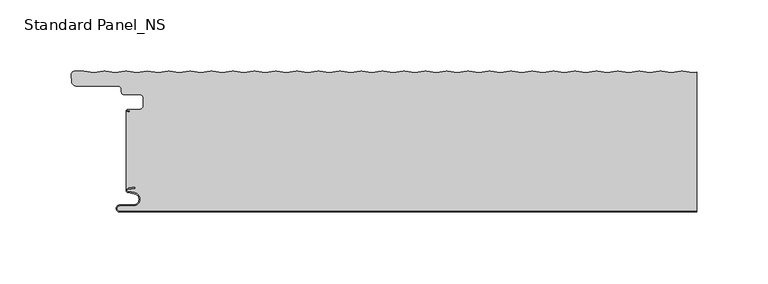
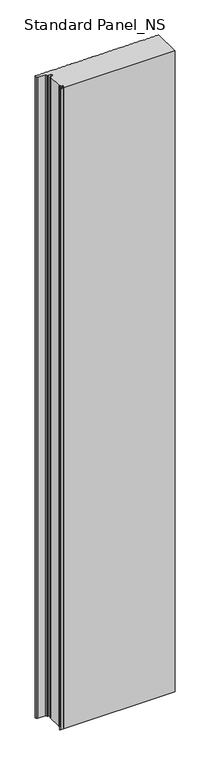
"""IFC4 building model written with IfcOpenShell, lengths in millimetres: proxy geometry, Standard Panel_NS."""

from ifc_helpers import new_model, si_unit, point, frame, frame_2d, origin, origin_with_axes, place, context, project, spatial, polyline, circle_curve, trimmed, segment, composite_curve, outline, extrude, source, transform, mapped, element, save
from ifc_brep_helpers import plane_surface, cylinder_surface, revolved_surface, advanced_brep


def standard_panel_ns_53d0c84d(model_context):
    return source(origin(), model_context, "Body", "SolidModel", [
        advanced_brep(
        [(200.9757266, 98.2307297, 2400.0), (193.9420689, 99.1685508, 2400.0), (192.9889019, 99.1685508, 2400.0), (185.9552442, 98.2307297, 2400.0), (178.9215864, 99.1685508, 2400.0), (177.9684195, 99.1685508, 2400.0), (170.9347618, 98.2307297, 2400.0), (163.901104, 99.1685508, 2400.0), (162.9479371, 99.1685508, 2400.0), (155.9142793, 98.2307297, 2400.0), (148.8806215, 99.1685508, 2400.0), (147.9274546, 99.1685508, 2400.0), (140.8937969, 98.2307297, 2400.0), (133.8601391, 99.1685508, 2400.0), (132.9069722, 99.1685508, 2400.0), (125.8733144, 98.2307297, 2400.0), (118.8396566, 99.1685508, 2400.0), (117.8864897, 99.1685508, 2400.0), (110.852832, 98.2307297, 2400.0), (103.8191742, 99.1685508, 2400.0), (102.8660073, 99.1685508, 2400.0), (95.8323495, 98.2307297, 2400.0), (88.7986918, 99.1685508, 2400.0), (87.8455248, 99.1685508, 2400.0), (80.8118671, 98.2307297, 2400.0), (73.7782093, 99.1685508, 2400.0), (72.8250424, 99.1685508, 2400.0), (65.7913846, 98.2307297, 2400.0), (58.7577269, 99.1685508, 2400.0), (57.80456, 99.1685508, 2400.0), (50.7709022, 98.2307297, 2400.0), (43.7372444, 99.1685508, 2400.0), (42.7840775, 99.1685508, 2400.0), (35.7504198, 98.2307297, 2400.0), (28.716762, 99.1685508, 2400.0), (27.7635951, 99.1685508, 2400.0), (20.7299373, 98.2307297, 2400.0), (13.6962795, 99.1685508, 2400.0), (12.7431126, 99.1685508, 2400.0), (5.7094549, 98.2307297, 2400.0), (-1.3242029, 99.1685508, 2400.0), (-2.2773698, 99.1685508, 2400.0), (-9.3110276, 98.2307297, 2400.0), (-16.3446854, 99.1685508, 2400.0), (-17.2978523, 99.1685508, 2400.0), (-24.33151, 98.2307297, 2400.0), (-31.3651678, 99.1685508, 2400.0), (-32.3183347, 99.1685508, 2400.0), (-39.3519925, 98.2307297, 2400.0), (-46.3856502, 99.1685508, 2400.0), (-47.3388172, 99.1685508, 2400.0), (-54.3724749, 98.2307297, 2400.0), (-61.4061327, 99.1685508, 2400.0), (-62.3592996, 99.1685508, 2400.0), (-69.3929573, 98.2307297, 2400.0), (-76.4266151, 99.1685508, 2400.0), (-77.379782, 99.1685508, 2400.0), (-84.4134398, 98.2307297, 2400.0), (-91.4470976, 99.1685508, 2400.0), (-92.4002645, 99.1685508, 2400.0), (-99.4339222, 98.2307297, 2400.0), (-106.46758, 99.1685508, 2400.0), (-107.4207469, 99.1685508, 2400.0), (-114.4544047, 98.2307297, 2400.0), (-121.4880625, 99.1685508, 2400.0), (-122.4412294, 99.1685508, 2400.0), (-129.4748871, 98.2307297, 2400.0), (-136.5085449, 99.1685508, 2400.0), (-137.4617118, 99.1685508, 2400.0), (-144.4953696, 98.2307297, 2400.0), (-151.5290274, 99.1685508, 2400.0), (-152.4821943, 99.1685508, 2400.0), (-159.515852, 98.2307297, 2400.0), (-166.5495098, 99.1685508, 2400.0), (-167.5026767, 99.1685508, 2400.0), (-174.5363345, 98.2307297, 2400.0), (-182.0465757, 99.2320952, 2400.0), (-189.5568169, 98.2307297, 2400.0), (-196.5904747, 99.1685508, 2400.0), (-197.5436416, 99.1685508, 2400.0), (-204.5772994, 98.2307297, 2400.0), (-211.6109571, 99.1685508, 2400.0), (-212.564124, 99.1685508, 2400.0), (-219.5977818, 98.2307297, 2400.0), (-226.8685673, 99.2001678, 2400.0), (-232.8591806, 99.2001678, 2400.0), (-235.6090836, 96.199151, 2400.0), (-235.1937635, 91.4524611, 2400.0), (-232.3045986, 88.8050506, 2400.0), (-202.67533, 88.8050506, 2400.0), (-200.2755261, 86.4052467, 2400.0), (-200.2755261, 84.4052467, 2400.0), (-198.67533, 82.8050506, 2400.0), (-188.0058392, 82.8050506, 2400.0), (-184.8560353, 79.6552467, 2400.0), (-184.8560353, 75.2552452, 2400.0), (-188.0058392, 72.1054412, 2400.0), (-195.7650669, 72.1054413, 2400.0), (-195.7650669, 71.3050506, 2400.0), (-194.3950677, 71.3050506, 2400.0), (-194.3950677, 70.5050506, 2400.0), (-195.7650669, 70.5050506, 2400.0), (-196.9042057, 71.327315, 2400.0), (-196.9042607, 15.3042944, 2400.0), (-195.529422, 16.8616061, 2400.0), (-190.6052947, 17.5608112, 2400.0), (-190.4928263, 16.7687564, 2400.0), (-195.4169535, 16.0695512, 2400.0), (-195.4434036, 14.4896502, 2400.0), (-191.1186374, 13.7270772, 2400.0), (-191.9521486, 4.2, 2400.0), (-201.4521486, 4.2, 2400.0), (-201.4521486, 0.8, 2400.0), (203.9042607, 0.8, 2400.0), (203.9042607, 98.621201, 2400.0), (-196.9042057, 71.327315, 0.0), (-195.7650669, 70.5050506, 0.0), (-194.3950677, 70.5050506, 0.0), (-194.3950677, 71.3050506, 0.0), (-195.7650669, 71.3050506, 0.0), (-195.7650669, 72.1054413, 0.0), (-188.0058392, 72.1054413, 0.0), (-184.8560353, 75.2552452, 0.0), (-184.8560353, 79.6552467, 0.0), (-188.0058392, 82.8050506, 0.0), (-198.67533, 82.8050506, 0.0), (-200.2755261, 84.4052467, 0.0), (-200.2755261, 86.4052467, 0.0), (-202.67533, 88.8050506, 0.0), (-232.3045986, 88.8050506, 0.0), (-235.1937635, 91.4524611, 0.0), (-235.6090836, 96.199151, 0.0), (-232.8591806, 99.2001678, 0.0), (-226.8685673, 99.2001678, 0.0), (-219.5977818, 98.2307297, 0.0), (-212.564124, 99.1685508, 0.0), (-211.6109571, 99.1685508, 0.0), (-204.5772994, 98.2307297, 0.0), (-197.5436416, 99.1685508, 0.0), (-196.5904747, 99.1685508, 0.0), (-189.5568169, 98.2307297, 0.0), (-182.0465757, 99.2320952, 0.0), (-174.5363345, 98.2307297, 0.0), (-167.5026767, 99.1685508, 0.0), (-166.5495098, 99.1685508, 0.0), (-159.515852, 98.2307297, 0.0), (-152.4821943, 99.1685508, 0.0), (-151.5290274, 99.1685508, 0.0), (-144.4953696, 98.2307297, 0.0), (-137.4617118, 99.1685508, 0.0), (-136.5085449, 99.1685508, 0.0), (-129.4748871, 98.2307297, 0.0), (-122.4412294, 99.1685508, 0.0), (-121.4880625, 99.1685508, 0.0), (-114.4544047, 98.2307297, 0.0), (-107.4207469, 99.1685508, 0.0), (-106.46758, 99.1685508, 0.0), (-99.4339222, 98.2307297, 0.0), (-92.4002645, 99.1685508, 0.0), (-91.4470976, 99.1685508, 0.0), (-84.4134398, 98.2307297, 0.0), (-77.379782, 99.1685508, 0.0), (-76.4266151, 99.1685508, 0.0), (-69.3929573, 98.2307297, 0.0), (-62.3592996, 99.1685508, 0.0), (-61.4061327, 99.1685508, 0.0), (-54.3724749, 98.2307297, 0.0), (-47.3388172, 99.1685508, 0.0), (-46.3856502, 99.1685508, 0.0), (-39.3519925, 98.2307297, 0.0), (-32.3183347, 99.1685508, 0.0), (-31.3651678, 99.1685508, 0.0), (-24.33151, 98.2307297, 0.0), (-17.2978523, 99.1685508, 0.0), (-16.3446854, 99.1685508, 0.0), (-9.3110276, 98.2307297, 0.0), (-2.2773698, 99.1685508, 0.0), (-1.3242029, 99.1685508, 0.0), (5.7094549, 98.2307297, 0.0), (12.7431126, 99.1685508, 0.0), (13.6962795, 99.1685508, 0.0), (20.7299373, 98.2307297, 0.0), (27.7635951, 99.1685508, 0.0), (28.716762, 99.1685508, 0.0), (35.7504198, 98.2307297, 0.0), (42.7840775, 99.1685508, 0.0), (43.7372444, 99.1685508, 0.0), (50.7709022, 98.2307297, 0.0), (57.80456, 99.1685508, 0.0), (58.7577269, 99.1685508, 0.0), (65.7913846, 98.2307297, 0.0), (72.8250424, 99.1685508, 0.0), (73.7782093, 99.1685508, 0.0), (80.8118671, 98.2307297, 0.0), (87.8455248, 99.1685508, 0.0), (88.7986918, 99.1685508, 0.0), (95.8323495, 98.2307297, 0.0), (102.8660073, 99.1685508, 0.0), (103.8191742, 99.1685508, 0.0), (110.852832, 98.2307297, 0.0), (117.8864897, 99.1685508, 0.0), (118.8396566, 99.1685508, 0.0), (125.8733144, 98.2307297, 0.0), (132.9069722, 99.1685508, 0.0), (133.8601391, 99.1685508, 0.0), (140.8937969, 98.2307297, 0.0), (147.9274546, 99.1685508, 0.0), (148.8806215, 99.1685508, 0.0), (155.9142793, 98.2307297, 0.0), (162.9479371, 99.1685508, 0.0), (163.901104, 99.1685508, 0.0), (170.9347618, 98.2307297, 0.0), (177.9684195, 99.1685508, 0.0), (178.9215864, 99.1685508, 0.0), (185.9552442, 98.2307297, 0.0), (192.9889019, 99.1685508, 0.0), (193.9420689, 99.1685508, 0.0), (200.9757266, 98.2307297, 0.0), (203.9042607, 98.621201, 0.0), (203.9042607, 0.8, 0.0), (-201.4521486, 0.8, 0.0), (-201.4521486, 4.2, 0.0), (-191.9521486, 4.2, 0.0), (-191.1186374, 13.7270772, 0.0), (-195.4434036, 14.4896502, 0.0), (-195.4169535, 16.0695512, 0.0), (-190.4928263, 16.7687564, 0.0), (-190.6052947, 17.5608112, 0.0), (-195.529422, 16.8616061, 0.0), (-196.9042607, 15.3042944, 0.0)],
        [
            (0, 1),
            (1, 2, circle_curve(frame((193.4654854, 95.5941749, 2400.0), z_axis=(0.0, 0.0, 1.0), x_axis=(-0.1321637206908363, 0.991227900602659, 0.0)), 3.6060082)),
            (2, 3),
            (3, 4),
            (4, 5, circle_curve(frame((178.445003, 95.5941749, 2400.0), z_axis=(0.0, 0.0, 1.0), x_axis=(-0.13216372067834242, 0.9912279006043248, 0.0)), 3.6060082)),
            (5, 6),
            (6, 7),
            (7, 8, circle_curve(frame((163.4245205, 95.5941749, 2400.0), z_axis=(0.0, 0.0, 1.0), x_axis=(-0.1321637206908359, 0.991227900602659, 0.0)), 3.6060082)),
            (8, 9),
            (9, 10),
            (10, 11, circle_curve(frame((148.4040381, 95.5941749, 2400.0), z_axis=(0.0, 0.0, 1.0), x_axis=(-0.1321637206909443, 0.9912279006026445, 0.0)), 3.6060082)),
            (11, 12),
            (12, 13),
            (13, 14, circle_curve(frame((133.3835556, 95.5941749, 2400.0), z_axis=(0.0, 0.0, 1.0), x_axis=(-0.13216372067834242, 0.9912279006043248, 0.0)), 3.6060082)),
            (14, 15),
            (15, 16),
            (16, 17, circle_curve(frame((118.3630732, 95.5941749, 2400.0), z_axis=(0.0, 0.0, 1.0), x_axis=(-0.13216372069094426, 0.9912279006026445, 0.0)), 3.6060082)),
            (17, 18),
            (18, 19),
            (19, 20, circle_curve(frame((103.3425907, 95.5941749, 2400.0), z_axis=(0.0, 0.0, 1.0), x_axis=(-0.1321637206908359, 0.991227900602659, 0.0)), 3.6060082)),
            (20, 21),
            (21, 22),
            (22, 23, circle_curve(frame((88.3221083, 95.5941749, 2400.0), z_axis=(0.0, 0.0, 1.0), x_axis=(-0.13216372067834242, 0.9912279006043248, 0.0)), 3.6060082)),
            (23, 24),
            (24, 25),
            (25, 26, circle_curve(frame((73.3016259, 95.5941749, 2400.0), z_axis=(0.0, 0.0, 1.0), x_axis=(-0.1321637206909443, 0.9912279006026445, 0.0)), 3.6060082)),
            (26, 27),
            (27, 28),
            (28, 29, circle_curve(frame((58.2811434, 95.5941749, 2400.0), z_axis=(0.0, 0.0, 1.0), x_axis=(-0.13216372067834242, 0.9912279006043249, 0.0)), 3.6060082)),
            (29, 30),
            (30, 31),
            (31, 32, circle_curve(frame((43.260661, 95.5941749, 2400.0), z_axis=(0.0, 0.0, 1.0), x_axis=(-0.1321637206909443, 0.9912279006026445, 0.0)), 3.6060082)),
            (32, 33),
            (33, 34),
            (34, 35, circle_curve(frame((28.2401785, 95.5941749, 2400.0), z_axis=(0.0, 0.0, 1.0), x_axis=(-0.13216372069083632, 0.991227900602659, 0.0)), 3.6060082)),
            (35, 36),
            (36, 37),
            (37, 38, circle_curve(frame((13.2196961, 95.5941749, 2400.0), z_axis=(0.0, 0.0, 1.0), x_axis=(-0.13216372067834242, 0.9912279006043248, 0.0)), 3.6060082)),
            (38, 39),
            (39, 40),
            (40, 41, circle_curve(frame((-1.8007864, 95.5941749, 2400.0), z_axis=(0.0, 0.0, 1.0), x_axis=(-0.13216372067834242, 0.9912279006043249, 0.0)), 3.6060082)),
            (41, 42),
            (42, 43),
            (43, 44, circle_curve(frame((-16.8212688, 95.5941749, 2400.0), z_axis=(0.0, 0.0, 1.0), x_axis=(-0.13216372067834242, 0.9912279006043249, 0.0)), 3.6060082)),
            (44, 45),
            (45, 46),
            (46, 47, circle_curve(frame((-31.8417513, 95.5941749, 2400.0), z_axis=(0.0, 0.0, 1.0), x_axis=(-0.13216372069083587, 0.991227900602659, 0.0)), 3.6060082)),
            (47, 48),
            (48, 49),
            (49, 50, circle_curve(frame((-46.8622337, 95.5941749, 2400.0), z_axis=(0.0, 0.0, 1.0), x_axis=(-0.13216372067834242, 0.9912279006043249, 0.0)), 3.6060082)),
            (50, 51),
            (51, 52),
            (52, 53, circle_curve(frame((-61.8827161, 95.5941749, 2400.0), z_axis=(0.0, 0.0, 1.0), x_axis=(-0.13216372067834242, 0.9912279006043248, 0.0)), 3.6060082)),
            (53, 54),
            (54, 55),
            (55, 56, circle_curve(frame((-76.9031986, 95.5941749, 2400.0), z_axis=(0.0, 0.0, 1.0), x_axis=(-0.13216372067834242, 0.9912279006043248, 0.0)), 3.6060082)),
            (56, 57),
            (57, 58),
            (58, 59, circle_curve(frame((-91.923681, 95.5941749, 2400.0), z_axis=(0.0, 0.0, 1.0), x_axis=(-0.1321637206909443, 0.9912279006026445, 0.0)), 3.6060082)),
            (59, 60),
            (60, 61),
            (61, 62, circle_curve(frame((-106.9441635, 95.5941749, 2400.0), z_axis=(0.0, 0.0, 1.0), x_axis=(-0.13216372069083587, 0.991227900602659, 0.0)), 3.6060082)),
            (62, 63),
            (63, 64),
            (64, 65, circle_curve(frame((-121.9646459, 95.5941749, 2400.0), z_axis=(0.0, 0.0, 1.0), x_axis=(-0.13216372067834242, 0.9912279006043248, 0.0)), 3.6060082)),
            (65, 66),
            (66, 67),
            (67, 68, circle_curve(frame((-136.9851284, 95.5941749, 2400.0), z_axis=(0.0, 0.0, 1.0), x_axis=(-0.13216372069083632, 0.991227900602659, 0.0)), 3.6060082)),
            (68, 69),
            (69, 70),
            (70, 71, circle_curve(frame((-152.0056108, 95.5941749, 2400.0), z_axis=(0.0, 0.0, 1.0), x_axis=(-0.13216372067834242, 0.9912279006043248, 0.0)), 3.6060082)),
            (71, 72),
            (72, 73),
            (73, 74, circle_curve(frame((-167.0260933, 95.5941749, 2400.0), z_axis=(0.0, 0.0, 1.0), x_axis=(-0.13216372069094426, 0.9912279006026445, 0.0)), 3.6060082)),
            (74, 75),
            (75, 76),
            (76, 77),
            (77, 78),
            (78, 79, circle_curve(frame((-197.0670581, 95.5941749, 2400.0), z_axis=(0.0, 0.0, 1.0), x_axis=(-0.13216372008395674, 0.9912279006835761, 0.0)), 3.6060082)),
            (79, 80),
            (80, 81),
            (81, 82, circle_curve(frame((-212.0875406, 95.5941749, 2400.0), z_axis=(0.0, 0.0, 1.0), x_axis=(-0.1321637200962343, 0.9912279006819392, 0.0)), 3.6060082)),
            (82, 83),
            (83, 84),
            (84, 85),
            (85, 86, circle_curve(frame((-232.8591806, 96.4397587, 2400.0), z_axis=(0.0, 0.0, 1.0), x_axis=(-0.9961854900933174, -0.08726092669423802, 0.0)), 2.7604092)),
            (86, 87),
            (87, 88, circle_curve(frame((-232.3045986, 91.7052538, 2400.0), z_axis=(0.0, 0.0, 1.0), x_axis=(-5.9816804069483736e-05, -0.9999999982109751, 0.0)), 2.9002032)),
            (88, 89),
            (89, 90, circle_curve(frame((-202.67533, 86.4052467, 2400.0), z_axis=(0.0, 0.0, -1.0), x_axis=(0.9999999926057013, 0.00012160837719944603, 0.0)), 2.3998039)),
            (90, 91),
            (91, 92, circle_curve(frame((-198.67533, 84.4052467, 2400.0), z_axis=(0.0, 0.0, 1.0), x_axis=(-8.105569453527465e-05, -0.9999999967149873, 0.0)), 1.6001961)),
            (92, 93),
            (93, 94, circle_curve(frame((-188.0058392, 79.6552467, 2400.0), z_axis=(0.0, 0.0, -1.0), x_axis=(0.9999999965725804, 8.27939563282879e-05, 0.0)), 3.1498039)),
            (94, 95),
            (95, 96, circle_curve(frame((-188.0058392, 75.2552452, 2400.0), z_axis=(0.0, 0.0, -1.0), x_axis=(-8.279395323838365e-05, -0.9999999965725807, 0.0)), 3.1498039)),
            (96, 97),
            (97, 98, circle_curve(frame((-195.7650669, 71.7052459, 2400.0), z_axis=(0.0, 0.0, 1.0), x_axis=(0.0, -1.0, 0.0)), 0.4001953)),
            (98, 99),
            (99, 100),
            (100, 101),
            (101, 102, circle_curve(frame((-195.7650669, 71.7052459, 2400.0), z_axis=(0.0, 0.0, -1.0), x_axis=(0.0, -1.0, 0.0)), 1.2001953)),
            (102, 103),
            (103, 104, circle_curve(frame((-195.3044851, 15.2774964, 2400.0), z_axis=(0.0, 0.0, -1.0), x_axis=(-0.17364817766971952, -0.9848077530117163, 0.0)), 1.6)),
            (104, 105),
            (105, 106),
            (106, 107),
            (107, 108, circle_curve(frame((-195.3044851, 15.2774964, 2400.0), z_axis=(0.0, 0.0, 1.0), x_axis=(-0.17364817766971952, -0.9848077530117163, 0.0)), 0.8)),
            (108, 109),
            (109, 110, circle_curve(frame((-191.9521486, 9.0, 2400.0), z_axis=(0.0, 0.0, -1.0), x_axis=(1.863723325530669e-12, -1.0, 0.0)), 4.8)),
            (110, 111),
            (111, 112, circle_curve(frame((-201.4521486, 2.5, 2400.0), z_axis=(0.0, 0.0, 1.0), x_axis=(2.9071553329994335e-12, -1.0, 0.0)), 1.7)),
            (112, 113),
            (113, 114),
            (114, 0),
            (115, 116, circle_curve(frame((-195.7650669, 71.7052459, 0.0), z_axis=(0.0, 0.0, 1.0), x_axis=(0.0, -1.0, 0.0)), 1.2001953)),
            (116, 117),
            (117, 118),
            (118, 119),
            (119, 120, circle_curve(frame((-195.7650669, 71.7052459, 0.0), z_axis=(0.0, 0.0, -1.0), x_axis=(0.0, -1.0, 0.0)), 0.4001953)),
            (120, 121),
            (121, 122, circle_curve(frame((-188.0058392, 75.2552452, 0.0), z_axis=(0.0, 0.0, 1.0), x_axis=(-8.279395323838365e-05, -0.9999999965725807, 0.0)), 3.1498039)),
            (122, 123),
            (123, 124, circle_curve(frame((-188.0058392, 79.6552467, 0.0), z_axis=(0.0, 0.0, 1.0), x_axis=(0.9999999965725804, 8.27939563282879e-05, 0.0)), 3.1498039)),
            (124, 125),
            (125, 126, circle_curve(frame((-198.67533, 84.4052467, 0.0), z_axis=(0.0, 0.0, -1.0), x_axis=(-8.105569453527465e-05, -0.9999999967149873, 0.0)), 1.6001961)),
            (126, 127),
            (127, 128, circle_curve(frame((-202.67533, 86.4052467, 0.0), z_axis=(0.0, 0.0, 1.0), x_axis=(0.9999999926057013, 0.00012160837719944603, 0.0)), 2.3998039)),
            (128, 129),
            (129, 130, circle_curve(frame((-232.3045986, 91.7052538, 0.0), z_axis=(0.0, 0.0, -1.0), x_axis=(-5.9816804069483736e-05, -0.9999999982109751, 0.0)), 2.9002032)),
            (130, 131),
            (131, 132, circle_curve(frame((-232.8591806, 96.4397587, 0.0), z_axis=(0.0, 0.0, -1.0), x_axis=(-0.9961854900933174, -0.08726092669423802, 0.0)), 2.7604092)),
            (132, 133),
            (133, 134),
            (134, 135),
            (135, 136, circle_curve(frame((-212.0875406, 95.5941749, 0.0), z_axis=(0.0, 0.0, -1.0), x_axis=(-0.1321637200962343, 0.9912279006819392, 0.0)), 3.6060082)),
            (136, 137),
            (137, 138),
            (138, 139, circle_curve(frame((-197.0670581, 95.5941749, 0.0), z_axis=(0.0, 0.0, -1.0), x_axis=(-0.13216372008395674, 0.9912279006835761, 0.0)), 3.6060082)),
            (139, 140),
            (140, 141),
            (141, 142),
            (142, 143),
            (143, 144, circle_curve(frame((-167.0260933, 95.5941749, 0.0), z_axis=(0.0, 0.0, -1.0), x_axis=(-0.13216372069094426, 0.9912279006026445, 0.0)), 3.6060082)),
            (144, 145),
            (145, 146),
            (146, 147, circle_curve(frame((-152.0056108, 95.5941749, 0.0), z_axis=(0.0, 0.0, -1.0), x_axis=(-0.13216372067834242, 0.9912279006043248, 0.0)), 3.6060082)),
            (147, 148),
            (148, 149),
            (149, 150, circle_curve(frame((-136.9851284, 95.5941749, 0.0), z_axis=(0.0, 0.0, -1.0), x_axis=(-0.13216372069083632, 0.991227900602659, 0.0)), 3.6060082)),
            (150, 151),
            (151, 152),
            (152, 153, circle_curve(frame((-121.9646459, 95.5941749, 0.0), z_axis=(0.0, 0.0, -1.0), x_axis=(-0.13216372067834242, 0.9912279006043248, 0.0)), 3.6060082)),
            (153, 154),
            (154, 155),
            (155, 156, circle_curve(frame((-106.9441635, 95.5941749, 0.0), z_axis=(0.0, 0.0, -1.0), x_axis=(-0.13216372069083587, 0.991227900602659, 0.0)), 3.6060082)),
            (156, 157),
            (157, 158),
            (158, 159, circle_curve(frame((-91.923681, 95.5941749, 0.0), z_axis=(0.0, 0.0, -1.0), x_axis=(-0.1321637206909443, 0.9912279006026445, 0.0)), 3.6060082)),
            (159, 160),
            (160, 161),
            (161, 162, circle_curve(frame((-76.9031986, 95.5941749, 0.0), z_axis=(0.0, 0.0, -1.0), x_axis=(-0.13216372067834242, 0.9912279006043248, 0.0)), 3.6060082)),
            (162, 163),
            (163, 164),
            (164, 165, circle_curve(frame((-61.8827161, 95.5941749, 0.0), z_axis=(0.0, 0.0, -1.0), x_axis=(-0.13216372067834242, 0.9912279006043248, 0.0)), 3.6060082)),
            (165, 166),
            (166, 167),
            (167, 168, circle_curve(frame((-46.8622337, 95.5941749, 0.0), z_axis=(0.0, 0.0, -1.0), x_axis=(-0.13216372067834242, 0.9912279006043249, 0.0)), 3.6060082)),
            (168, 169),
            (169, 170),
            (170, 171, circle_curve(frame((-31.8417513, 95.5941749, 0.0), z_axis=(0.0, 0.0, -1.0), x_axis=(-0.13216372069083587, 0.991227900602659, 0.0)), 3.6060082)),
            (171, 172),
            (172, 173),
            (173, 174, circle_curve(frame((-16.8212688, 95.5941749, 0.0), z_axis=(0.0, 0.0, -1.0), x_axis=(-0.13216372067834242, 0.9912279006043249, 0.0)), 3.6060082)),
            (174, 175),
            (175, 176),
            (176, 177, circle_curve(frame((-1.8007864, 95.5941749, 0.0), z_axis=(0.0, 0.0, -1.0), x_axis=(-0.13216372067834242, 0.9912279006043249, 0.0)), 3.6060082)),
            (177, 178),
            (178, 179),
            (179, 180, circle_curve(frame((13.2196961, 95.5941749, 0.0), z_axis=(0.0, 0.0, -1.0), x_axis=(-0.13216372067834242, 0.9912279006043248, 0.0)), 3.6060082)),
            (180, 181),
            (181, 182),
            (182, 183, circle_curve(frame((28.2401785, 95.5941749, 0.0), z_axis=(0.0, 0.0, -1.0), x_axis=(-0.13216372069083632, 0.991227900602659, 0.0)), 3.6060082)),
            (183, 184),
            (184, 185),
            (185, 186, circle_curve(frame((43.260661, 95.5941749, 0.0), z_axis=(0.0, 0.0, -1.0), x_axis=(-0.1321637206909443, 0.9912279006026445, 0.0)), 3.6060082)),
            (186, 187),
            (187, 188),
            (188, 189, circle_curve(frame((58.2811434, 95.5941749, 0.0), z_axis=(0.0, 0.0, -1.0), x_axis=(-0.13216372067834242, 0.9912279006043249, 0.0)), 3.6060082)),
            (189, 190),
            (190, 191),
            (191, 192, circle_curve(frame((73.3016259, 95.5941749, 0.0), z_axis=(0.0, 0.0, -1.0), x_axis=(-0.1321637206909443, 0.9912279006026445, 0.0)), 3.6060082)),
            (192, 193),
            (193, 194),
            (194, 195, circle_curve(frame((88.3221083, 95.5941749, 0.0), z_axis=(0.0, 0.0, -1.0), x_axis=(-0.13216372067834242, 0.9912279006043248, 0.0)), 3.6060082)),
            (195, 196),
            (196, 197),
            (197, 198, circle_curve(frame((103.3425907, 95.5941749, 0.0), z_axis=(0.0, 0.0, -1.0), x_axis=(-0.1321637206908359, 0.991227900602659, 0.0)), 3.6060082)),
            (198, 199),
            (199, 200),
            (200, 201, circle_curve(frame((118.3630732, 95.5941749, 0.0), z_axis=(0.0, 0.0, -1.0), x_axis=(-0.13216372069094426, 0.9912279006026445, 0.0)), 3.6060082)),
            (201, 202),
            (202, 203),
            (203, 204, circle_curve(frame((133.3835556, 95.5941749, 0.0), z_axis=(0.0, 0.0, -1.0), x_axis=(-0.13216372067834242, 0.9912279006043248, 0.0)), 3.6060082)),
            (204, 205),
            (205, 206),
            (206, 207, circle_curve(frame((148.4040381, 95.5941749, 0.0), z_axis=(0.0, 0.0, -1.0), x_axis=(-0.1321637206909443, 0.9912279006026445, 0.0)), 3.6060082)),
            (207, 208),
            (208, 209),
            (209, 210, circle_curve(frame((163.4245205, 95.5941749, 0.0), z_axis=(0.0, 0.0, -1.0), x_axis=(-0.1321637206908359, 0.991227900602659, 0.0)), 3.6060082)),
            (210, 211),
            (211, 212),
            (212, 213, circle_curve(frame((178.445003, 95.5941749, 0.0), z_axis=(0.0, 0.0, -1.0), x_axis=(-0.13216372067834242, 0.9912279006043248, 0.0)), 3.6060082)),
            (213, 214),
            (214, 215),
            (215, 216, circle_curve(frame((193.4654854, 95.5941749, 0.0), z_axis=(0.0, 0.0, -1.0), x_axis=(-0.1321637206908363, 0.991227900602659, 0.0)), 3.6060082)),
            (216, 217),
            (217, 218),
            (218, 219),
            (219, 220),
            (220, 221, circle_curve(frame((-201.4521486, 2.5, 0.0), z_axis=(0.0, 0.0, -1.0), x_axis=(2.9071553329994335e-12, -1.0, 0.0)), 1.7)),
            (221, 222),
            (222, 223, circle_curve(frame((-191.9521486, 9.0, 0.0), z_axis=(0.0, 0.0, 1.0), x_axis=(1.863723325530669e-12, -1.0, 0.0)), 4.8)),
            (223, 224),
            (224, 225, circle_curve(frame((-195.3044851, 15.2774964, 0.0), z_axis=(0.0, 0.0, -1.0), x_axis=(-0.17364817766971952, -0.9848077530117163, 0.0)), 0.8)),
            (225, 226),
            (226, 227),
            (227, 228),
            (228, 229, circle_curve(frame((-195.3044851, 15.2774964, 0.0), z_axis=(0.0, 0.0, 1.0), x_axis=(-0.17364817766971952, -0.9848077530117163, 0.0)), 1.6)),
            (229, 115),
            (83, 134),
            (133, 84),
            (86, 131),
            (130, 87),
            (89, 128),
            (127, 90),
            (126, 91),
            (93, 124),
            (123, 94),
            (122, 95),
            (121, 96),
            (97, 120),
            (119, 98),
            (118, 99),
            (117, 100),
            (103, 229),
            (228, 104),
            (227, 105),
            (226, 106),
            (225, 107),
            (224, 108),
            (223, 109),
            (222, 110),
            (221, 111),
            (220, 112),
            (219, 113),
            (218, 114),
            (4, 213),
            (212, 5),
            (3, 214),
            (2, 215),
            (1, 216),
            (217, 0),
            (211, 6),
            (102, 115),
            (210, 7),
            (209, 8),
            (208, 9),
            (207, 10),
            (206, 11),
            (205, 12),
            (204, 13),
            (203, 14),
            (202, 15),
            (201, 16),
            (200, 17),
            (199, 18),
            (198, 19),
            (197, 20),
            (196, 21),
            (195, 22),
            (194, 23),
            (193, 24),
            (192, 25),
            (191, 26),
            (190, 27),
            (189, 28),
            (188, 29),
            (187, 30),
            (186, 31),
            (185, 32),
            (184, 33),
            (183, 34),
            (182, 35),
            (181, 36),
            (180, 37),
            (179, 38),
            (178, 39),
            (177, 40),
            (176, 41),
            (175, 42),
            (174, 43),
            (173, 44),
            (172, 45),
            (171, 46),
            (170, 47),
            (169, 48),
            (168, 49),
            (167, 50),
            (166, 51),
            (165, 52),
            (164, 53),
            (163, 54),
            (162, 55),
            (161, 56),
            (160, 57),
            (159, 58),
            (158, 59),
            (157, 60),
            (156, 61),
            (155, 62),
            (154, 63),
            (153, 64),
            (152, 65),
            (151, 66),
            (150, 67),
            (149, 68),
            (148, 69),
            (147, 70),
            (146, 71),
            (145, 72),
            (144, 73),
            (143, 74),
            (142, 75),
            (141, 76),
            (140, 77),
            (139, 78),
            (138, 79),
            (137, 80),
            (136, 81),
            (135, 82),
            (132, 85),
            (129, 88),
            (125, 92),
            (116, 101),
        ],
        [
            plane_surface(frame((316.0957393, 99.2, 2400.0), z_axis=(0.0, 0.0, 1.0), x_axis=(0.0, 1.0, 0.0))),
            plane_surface(frame((316.0957393, 99.2, 0.0), z_axis=(0.0, 0.0, -1.0), x_axis=(0.0, 1.0, 0.0))),
            plane_surface(frame((-219.5977818, 98.2307297, 2400.0), z_axis=(0.13216372070690546, 0.9912279006005164, 0.0), x_axis=(0.0, 0.0, -1.0))),
            plane_surface(frame((-235.6090836, 96.199151, 2400.0), z_axis=(-0.9961939956053468, -0.08716377183127401, 0.0), x_axis=(0.0, 0.0, -1.0))),
            revolved_surface(polyline([(-200.27552611774487, 86.40553853625788, 0.0), (-200.27552611774487, 86.40553853625788, 2400.0)]), (-202.67533, 86.4052467, 2400.0), (0.0, 0.0, -1.0)),
            plane_surface(frame((-200.2755261, 86.4052467, 2400.0), z_axis=(-1.0, 0.0, 0.0), x_axis=(0.0, 0.0, -1.0))),
            revolved_surface(polyline([(-184.8560353107957, 79.65550748472654, 0.0), (-184.8560353107957, 79.65550748472654, 2400.0)]), (-188.0058392, 79.6552467, 2400.0), (0.0, 0.0, -1.0)),
            plane_surface(frame((-184.8560353, 79.6552467, 2400.0), z_axis=(-1.0, 0.0, 0.0), x_axis=(0.0, 0.0, -1.0))),
            revolved_surface(polyline([(-188.0060999847168, 72.1054413107957, 0.0), (-188.0060999847168, 72.1054413107957, 2400.0)]), (-188.0058392, 75.2552452, 2400.0), (0.0, 0.0, -1.0)),
            cylinder_surface(frame((-195.7650669, 71.7052459, 2400.0), z_axis=(0.0, 0.0, 1.0), x_axis=(0.0, -1.0, 0.0)), 0.4001953),
            plane_surface(frame((-195.7650669, 71.3050506, 2400.0), z_axis=(0.0, -1.0, 0.0), x_axis=(0.0, 0.0, -1.0))),
            plane_surface(frame((-194.3950677, 71.3050506, 2400.0), z_axis=(-1.0, 0.0, 0.0), x_axis=(0.0, 0.0, -1.0))),
            revolved_surface(polyline([(-195.58232218427153, 13.701803995181255, -9.094947017729282e-13), (-195.58232218427153, 13.701803995181255, 2400.0)]), (-195.3044851, 15.2774964, 2400.0), (0.0, 0.0, -1.0000000000000002)),
            plane_surface(frame((-195.529422, 16.8616061, 2400.0), z_axis=(0.14058552792120363, -0.9900685376978287, 0.0), x_axis=(0.0, 0.0, -1.0))),
            plane_surface(frame((-190.6052947, 17.5608112, 2400.0), z_axis=(-0.9900685376978338, -0.14058552792116694, 0.0), x_axis=(0.0, 0.0, -1.0))),
            plane_surface(frame((-190.4928263, 16.7687564, 2400.0), z_axis=(-0.1405855279212039, 0.9900685376978285, 0.0), x_axis=(0.0, 0.0, -1.0))),
            cylinder_surface(frame((-195.3044851, 15.2774964, 2400.0), z_axis=(0.0, 0.0, 1.0000000000000002), x_axis=(-0.17364817766971952, -0.9848077530117163, 0.0)), 0.8),
            plane_surface(frame((-195.4434036, 14.4896502, 2400.0), z_axis=(-0.1736481776670618, -0.9848077530121849, 0.0), x_axis=(0.0, 0.0, -1.0))),
            revolved_surface(polyline([(-191.95214859999103, 4.2, 0.0), (-191.95214859999103, 4.2, 2400.0)]), (-191.9521486, 9.0, 2400.0), (0.0, 0.0, -1.0)),
            plane_surface(frame((-191.9521486, 4.2, 2400.0), z_axis=(0.0, 1.0, 0.0), x_axis=(0.0, 0.0, -1.0))),
            cylinder_surface(frame((-201.4521486, 2.5, 2400.0), z_axis=(0.0, 0.0, 1.0), x_axis=(2.9071553329994335e-12, -1.0, 0.0)), 1.7),
            plane_surface(frame((-201.4521486, 0.8, 2400.0), z_axis=(0.0, -1.0, 0.0), x_axis=(0.0, 0.0, -1.0))),
            plane_surface(frame((203.9042607, 102.0, 2400.0), z_axis=(1.0, 0.0, 0.0), x_axis=(0.0, 0.0, -1.0))),
            cylinder_surface(frame((178.445003, 95.5941749, 2400.0), z_axis=(0.0, 0.0, 1.0), x_axis=(-0.13216372067834242, 0.9912279006043248, 0.0)), 3.6060082),
            plane_surface(frame((185.9552442, 98.2307297, 2400.0), z_axis=(0.13216372006695326, 0.9912279006858433, 0.0), x_axis=(0.0, 0.0, -1.0))),
            plane_surface(frame((192.9889019, 99.1685508, 2400.0), z_axis=(-0.13216372070690166, 0.9912279006005169, 0.0), x_axis=(0.0, 0.0, -1.0))),
            cylinder_surface(frame((193.4654854, 95.5941749, 2400.0), z_axis=(0.0, 0.0, 1.0000000000000002), x_axis=(-0.1321637206908363, 0.991227900602659, 0.0)), 3.6060082),
            plane_surface(frame((208.0093844, 99.1685508, 2400.0), z_axis=(-0.1321637207089453, 0.9912279006002443, 0.0), x_axis=(0.0, 0.0, -1.0))),
            plane_surface(frame((200.9757266, 98.2307297, 2400.0), z_axis=(0.1321637200687261, 0.991227900685607, 0.0), x_axis=(0.0, 0.0, -1.0))),
            plane_surface(frame((177.9684195, 99.1685508, 2400.0), z_axis=(-0.13216372070690136, 0.9912279006005169, 0.0), x_axis=(0.0, 0.0, -1.0))),
            plane_surface(frame((-196.9042057, 71.327315, 2400.0), z_axis=(-1.0, 0.0, 0.0), x_axis=(0.0, 0.0, -1.0))),
            plane_surface(frame((170.9347618, 98.2307297, 2400.0), z_axis=(0.13216372006613503, 0.9912279006859525, 0.0), x_axis=(0.0, 0.0, -1.0))),
            cylinder_surface(frame((163.4245205, 95.5941749, 2400.0), z_axis=(0.0, 0.0, 1.0), x_axis=(-0.1321637206908359, 0.991227900602659, 0.0)), 3.6060082),
            plane_surface(frame((162.9479371, 99.1685508, 2400.0), z_axis=(-0.1321637207063546, 0.9912279006005899, 0.0), x_axis=(0.0, 0.0, -1.0))),
            plane_surface(frame((155.9142793, 98.2307297, 2400.0), z_axis=(0.13216372006695185, 0.9912279006858435, 0.0), x_axis=(0.0, 0.0, -1.0))),
            cylinder_surface(frame((148.4040381, 95.5941749, 2400.0), z_axis=(0.0, 0.0, 1.0000000000000002), x_axis=(-0.1321637206909443, 0.9912279006026445, 0.0)), 3.6060082),
            plane_surface(frame((147.9274546, 99.1685508, 2400.0), z_axis=(-0.1321637207063565, 0.9912279006005896, 0.0), x_axis=(0.0, 0.0, -1.0))),
            plane_surface(frame((140.8937969, 98.2307297, 2400.0), z_axis=(0.13216372006749733, 0.9912279006857708, 0.0), x_axis=(0.0, 0.0, -1.0))),
            cylinder_surface(frame((133.3835556, 95.5941749, 2400.0), z_axis=(0.0, 0.0, 1.0), x_axis=(-0.13216372067834242, 0.9912279006043248, 0.0)), 3.6060082),
            plane_surface(frame((132.9069722, 99.1685508, 2400.0), z_axis=(-0.13216372070894564, 0.9912279006002443, 0.0), x_axis=(0.0, 0.0, -1.0))),
            plane_surface(frame((125.8733144, 98.2307297, 2400.0), z_axis=(0.13216372006845428, 0.9912279006856431, 0.0), x_axis=(0.0, 0.0, -1.0))),
            cylinder_surface(frame((118.3630732, 95.5941749, 2400.0), z_axis=(0.0, 0.0, 1.0000000000000002), x_axis=(-0.13216372069094426, 0.9912279006026445, 0.0)), 3.6060082),
            plane_surface(frame((117.8864897, 99.1685508, 2400.0), z_axis=(-0.1321637207063565, 0.9912279006005896, 0.0), x_axis=(0.0, 0.0, -1.0))),
            plane_surface(frame((110.852832, 98.2307297, 2400.0), z_axis=(0.13216372006668003, 0.9912279006858797, 0.0), x_axis=(0.0, 0.0, -1.0))),
            cylinder_surface(frame((103.3425907, 95.5941749, 2400.0), z_axis=(0.0, 0.0, 1.0), x_axis=(-0.1321637206908359, 0.991227900602659, 0.0)), 3.6060082),
            plane_surface(frame((102.8660073, 99.1685508, 2400.0), z_axis=(-0.1321637207063546, 0.9912279006005899, 0.0), x_axis=(0.0, 0.0, -1.0))),
            plane_surface(frame((95.8323495, 98.2307297, 2400.0), z_axis=(0.132163720066952, 0.9912279006858435, 0.0), x_axis=(0.0, 0.0, -1.0))),
            cylinder_surface(frame((88.3221083, 95.5941749, 2400.0), z_axis=(0.0, 0.0, 1.0), x_axis=(-0.13216372067834242, 0.9912279006043248, 0.0)), 3.6060082),
            plane_surface(frame((87.8455248, 99.1685508, 2400.0), z_axis=(-0.1321637207068996, 0.9912279006005172, 0.0), x_axis=(0.0, 0.0, -1.0))),
            plane_surface(frame((80.8118671, 98.2307297, 2400.0), z_axis=(0.13216372006640953, 0.9912279006859158, 0.0), x_axis=(0.0, 0.0, -1.0))),
            cylinder_surface(frame((73.3016259, 95.5941749, 2400.0), z_axis=(0.0, 0.0, 1.0000000000000002), x_axis=(-0.1321637206909443, 0.9912279006026445, 0.0)), 3.6060082),
            plane_surface(frame((72.8250424, 99.1685508, 2400.0), z_axis=(-0.13216372070744717, 0.9912279006004442, 0.0), x_axis=(0.0, 0.0, -1.0))),
            plane_surface(frame((65.7913846, 98.2307297, 2400.0), z_axis=(0.1321637200664073, 0.9912279006859162, 0.0), x_axis=(0.0, 0.0, -1.0))),
            cylinder_surface(frame((58.2811434, 95.5941749, 2400.0), z_axis=(0.0, 0.0, 1.0000000000000002), x_axis=(-0.13216372067834242, 0.9912279006043249, 0.0)), 3.6060082),
            plane_surface(frame((57.80456, 99.1685508, 2400.0), z_axis=(-0.1321637207082644, 0.9912279006003352, 0.0), x_axis=(0.0, 0.0, -1.0))),
            plane_surface(frame((50.7709022, 98.2307297, 2400.0), z_axis=(0.13216372006899724, 0.9912279006855708, 0.0), x_axis=(0.0, 0.0, -1.0))),
            cylinder_surface(frame((43.260661, 95.5941749, 2400.0), z_axis=(0.0, 0.0, 1.0000000000000002), x_axis=(-0.1321637206909443, 0.9912279006026445, 0.0)), 3.6060082),
            plane_surface(frame((42.7840775, 99.1685508, 2400.0), z_axis=(-0.1321637207069012, 0.9912279006005169, 0.0), x_axis=(0.0, 0.0, -1.0))),
            plane_surface(frame((35.7504198, 98.2307297, 2400.0), z_axis=(0.13216372006695298, 0.9912279006858434, 0.0), x_axis=(0.0, 0.0, -1.0))),
            cylinder_surface(frame((28.2401785, 95.5941749, 2400.0), z_axis=(0.0, 0.0, 1.0000000000000002), x_axis=(-0.13216372069083632, 0.991227900602659, 0.0)), 3.6060082),
            plane_surface(frame((27.7635951, 99.1685508, 2400.0), z_axis=(-0.1321637207069012, 0.9912279006005169, 0.0), x_axis=(0.0, 0.0, -1.0))),
            plane_surface(frame((20.7299373, 98.2307297, 2400.0), z_axis=(0.13216372006695265, 0.9912279006858434, 0.0), x_axis=(0.0, 0.0, -1.0))),
            cylinder_surface(frame((13.2196961, 95.5941749, 2400.0), z_axis=(0.0, 0.0, 1.0), x_axis=(-0.13216372067834242, 0.9912279006043248, 0.0)), 3.6060082),
            plane_surface(frame((12.7431126, 99.1685508, 2400.0), z_axis=(-0.132163720706356, 0.9912279006005896, 0.0), x_axis=(0.0, 0.0, -1.0))),
            plane_surface(frame((5.7094549, 98.2307297, 2400.0), z_axis=(0.13216372006695326, 0.9912279006858433, 0.0), x_axis=(0.0, 0.0, -1.0))),
            cylinder_surface(frame((-1.8007864, 95.5941749, 2400.0), z_axis=(0.0, 0.0, 1.0000000000000002), x_axis=(-0.13216372067834242, 0.9912279006043249, 0.0)), 3.6060082),
            plane_surface(frame((-2.2773698, 99.1685508, 2400.0), z_axis=(-0.13216372070840093, 0.991227900600317, 0.0), x_axis=(0.0, 0.0, -1.0))),
            plane_surface(frame((-9.3110276, 98.2307297, 2400.0), z_axis=(0.1321637200674967, 0.9912279006857709, 0.0), x_axis=(0.0, 0.0, -1.0))),
            cylinder_surface(frame((-16.8212688, 95.5941749, 2400.0), z_axis=(0.0, 0.0, 1.0000000000000002), x_axis=(-0.13216372067834242, 0.9912279006043249, 0.0)), 3.6060082),
            plane_surface(frame((-17.2978523, 99.1685508, 2400.0), z_axis=(-0.13216372070840093, 0.991227900600317, 0.0), x_axis=(0.0, 0.0, -1.0))),
            plane_surface(frame((-24.33151, 98.2307297, 2400.0), z_axis=(0.13216372006954255, 0.991227900685498, 0.0), x_axis=(0.0, 0.0, -1.0))),
            cylinder_surface(frame((-31.8417513, 95.5941749, 2400.0), z_axis=(0.0, 0.0, 1.0), x_axis=(-0.13216372069083587, 0.991227900602659, 0.0)), 3.6060082),
            plane_surface(frame((-32.3183347, 99.1685508, 2400.0), z_axis=(-0.13216372070744586, 0.9912279006004443, 0.0), x_axis=(0.0, 0.0, -1.0))),
            plane_surface(frame((-39.3519925, 98.2307297, 2400.0), z_axis=(0.1321637200664073, 0.9912279006859162, 0.0), x_axis=(0.0, 0.0, -1.0))),
            cylinder_surface(frame((-46.8622337, 95.5941749, 2400.0), z_axis=(0.0, 0.0, 1.0000000000000002), x_axis=(-0.13216372067834242, 0.9912279006043249, 0.0)), 3.6060082),
            plane_surface(frame((-47.3388172, 99.1685508, 2400.0), z_axis=(-0.13216372070635665, 0.9912279006005896, 0.0), x_axis=(0.0, 0.0, -1.0))),
            plane_surface(frame((-54.3724749, 98.2307297, 2400.0), z_axis=(0.1321637200649066, 0.9912279006861162, 0.0), x_axis=(0.0, 0.0, -1.0))),
            cylinder_surface(frame((-61.8827161, 95.5941749, 2400.0), z_axis=(0.0, 0.0, 1.0), x_axis=(-0.13216372067834242, 0.9912279006043248, 0.0)), 3.6060082),
            plane_surface(frame((-62.3592996, 99.1685508, 2400.0), z_axis=(-0.13216372070690374, 0.9912279006005166, 0.0), x_axis=(0.0, 0.0, -1.0))),
            plane_surface(frame((-69.3929573, 98.2307297, 2400.0), z_axis=(0.13216372006695326, 0.9912279006858433, 0.0), x_axis=(0.0, 0.0, -1.0))),
            cylinder_surface(frame((-76.9031986, 95.5941749, 2400.0), z_axis=(0.0, 0.0, 1.0), x_axis=(-0.13216372067834242, 0.9912279006043248, 0.0)), 3.6060082),
            plane_surface(frame((-77.379782, 99.1685508, 2400.0), z_axis=(-0.13216372070839968, 0.9912279006003172, 0.0), x_axis=(0.0, 0.0, -1.0))),
            plane_surface(frame((-84.4134398, 98.2307297, 2400.0), z_axis=(0.1321637200689985, 0.9912279006855707, 0.0), x_axis=(0.0, 0.0, -1.0))),
            cylinder_surface(frame((-91.923681, 95.5941749, 2400.0), z_axis=(0.0, 0.0, 1.0000000000000002), x_axis=(-0.1321637206909443, 0.9912279006026445, 0.0)), 3.6060082),
            plane_surface(frame((-92.4002645, 99.1685508, 2400.0), z_axis=(-0.13216372070894594, 0.9912279006002443, 0.0), x_axis=(0.0, 0.0, -1.0))),
            plane_surface(frame((-99.4339222, 98.2307297, 2400.0), z_axis=(0.13216372006899896, 0.9912279006855705, 0.0), x_axis=(0.0, 0.0, -1.0))),
            cylinder_surface(frame((-106.9441635, 95.5941749, 2400.0), z_axis=(0.0, 0.0, 1.0), x_axis=(-0.13216372069083587, 0.991227900602659, 0.0)), 3.6060082),
            plane_surface(frame((-107.4207469, 99.1685508, 2400.0), z_axis=(-0.13216372070635285, 0.9912279006005901, 0.0), x_axis=(0.0, 0.0, -1.0))),
            plane_surface(frame((-114.4544047, 98.2307297, 2400.0), z_axis=(0.1321637200669509, 0.9912279006858437, 0.0), x_axis=(0.0, 0.0, -1.0))),
            cylinder_surface(frame((-121.9646459, 95.5941749, 2400.0), z_axis=(0.0, 0.0, 1.0), x_axis=(-0.13216372067834242, 0.9912279006043248, 0.0)), 3.6060082),
            plane_surface(frame((-122.4412294, 99.1685508, 2400.0), z_axis=(-0.13216372070635302, 0.9912279006005901, 0.0), x_axis=(0.0, 0.0, -1.0))),
            plane_surface(frame((-129.4748871, 98.2307297, 2400.0), z_axis=(0.1321637200674959, 0.9912279006857709, 0.0), x_axis=(0.0, 0.0, -1.0))),
            cylinder_surface(frame((-136.9851284, 95.5941749, 2400.0), z_axis=(0.0, 0.0, 1.0000000000000002), x_axis=(-0.13216372069083632, 0.991227900602659, 0.0)), 3.6060082),
            plane_surface(frame((-137.4617118, 99.1685508, 2400.0), z_axis=(-0.1321637207068988, 0.9912279006005172, 0.0), x_axis=(0.0, 0.0, -1.0))),
            plane_surface(frame((-144.4953696, 98.2307297, 2400.0), z_axis=(0.13216372006640492, 0.9912279006859165, 0.0), x_axis=(0.0, 0.0, -1.0))),
            cylinder_surface(frame((-152.0056108, 95.5941749, 2400.0), z_axis=(0.0, 0.0, 1.0), x_axis=(-0.13216372067834242, 0.9912279006043248, 0.0)), 3.6060082),
            plane_surface(frame((-152.4821943, 99.1685508, 2400.0), z_axis=(-0.13216372070894564, 0.9912279006002443, 0.0), x_axis=(0.0, 0.0, -1.0))),
            plane_surface(frame((-159.515852, 98.2307297, 2400.0), z_axis=(0.1321637200684489, 0.9912279006856439, 0.0), x_axis=(0.0, 0.0, -1.0))),
            cylinder_surface(frame((-167.0260933, 95.5941749, 2400.0), z_axis=(0.0, 0.0, 1.0000000000000002), x_axis=(-0.13216372069094426, 0.9912279006026445, 0.0)), 3.6060082),
            plane_surface(frame((-167.5026767, 99.1685508, 2400.0), z_axis=(-0.13216372070689816, 0.9912279006005174, 0.0), x_axis=(0.0, 0.0, -1.0))),
            plane_surface(frame((-174.5363345, 98.2307297, 2400.0), z_axis=(0.13216372006695146, 0.9912279006858435, 0.0), x_axis=(0.0, 0.0, -1.0))),
            plane_surface(frame((-182.0465757, 99.2320952, 2400.0), z_axis=(-0.13216372006694388, 0.9912279006858447, 0.0), x_axis=(0.0, 0.0, -1.0))),
            plane_surface(frame((-189.5568169, 98.2307297, 2400.0), z_axis=(0.13216372070690524, 0.9912279006005164, 0.0), x_axis=(0.0, 0.0, -1.0))),
            cylinder_surface(frame((-197.0670581, 95.5941749, 2400.0), z_axis=(0.0, 0.0, 1.0), x_axis=(-0.13216372008395674, 0.9912279006835761, 0.0)), 3.6060082),
            plane_surface(frame((-197.5436416, 99.1685508, 2400.0), z_axis=(-0.1321637200684442, 0.9912279006856446, 0.0), x_axis=(0.0, 0.0, -1.0))),
            plane_surface(frame((-204.5772994, 98.2307297, 2400.0), z_axis=(0.1321637207094944, 0.9912279006001712, 0.0), x_axis=(0.0, 0.0, -1.0))),
            cylinder_surface(frame((-212.0875406, 95.5941749, 2400.0), z_axis=(0.0, 0.0, 1.0), x_axis=(-0.1321637200962343, 0.9912279006819392, 0.0)), 3.6060082),
            plane_surface(frame((-212.564124, 99.1685508, 2400.0), z_axis=(-0.13216372006694319, 0.9912279006858448, 0.0), x_axis=(0.0, 0.0, -1.0))),
            plane_surface(frame((-226.8685673, 99.2001678, 2400.0), z_axis=(0.0, 1.0, 0.0), x_axis=(0.0, 0.0, -1.0))),
            cylinder_surface(frame((-232.8591806, 96.4397587, 2400.0), z_axis=(0.0, 0.0, 1.0000000000000002), x_axis=(-0.9961854900933174, -0.08726092669423802, 0.0)), 2.7604092),
            cylinder_surface(frame((-232.3045986, 91.7052538, 2400.0), z_axis=(0.0, 0.0, 1.0000000000000002), x_axis=(-5.9816804069483736e-05, -0.9999999982109751, 0.0)), 2.9002032),
            plane_surface(frame((-232.3045986, 88.8050506, 2400.0), z_axis=(0.0, -1.0, 0.0), x_axis=(0.0, 0.0, -1.0))),
            cylinder_surface(frame((-198.67533, 84.4052467, 2400.0), z_axis=(0.0, 0.0, 1.0000000000000002), x_axis=(-8.105569453527465e-05, -0.9999999967149873, 0.0)), 1.6001961),
            plane_surface(frame((-198.67533, 82.8050506, 2400.0), z_axis=(0.0, -1.0, 0.0), x_axis=(0.0, 0.0, -1.0))),
            plane_surface(frame((-188.0058392, 72.1054413, 2400.0), z_axis=(0.0, 1.0, 0.0), x_axis=(0.0, 0.0, -1.0))),
            plane_surface(frame((-194.3950677, 70.5050506, 2400.0), z_axis=(0.0, 1.0, 0.0), x_axis=(0.0, 0.0, -1.0))),
            revolved_surface(polyline([(-195.7650669, 70.50505059999999, 0.0), (-195.7650669, 70.50505059999999, 2400.0)]), (-195.7650669, 71.7052459, 2400.0), (0.0, 0.0, -1.0)),
        ],
        [
            (0, [[1, 2, 3, 4, 5, 6, 7, 8, 9, 10, 11, 12, 13, 14, 15, 16, 17, 18, 19, 20, 21, 22, 23, 24, 25, 26, 27, 28, 29, 30, 31, 32, 33, 34, 35, 36, 37, 38, 39, 40, 41, 42, 43, 44, 45, 46, 47, 48, 49, 50, 51, 52, 53, 54, 55, 56, 57, 58, 59, 60, 61, 62, 63, 64, 65, 66, 67, 68, 69, 70, 71, 72, 73, 74, 75, 76, 77, 78, 79, 80, 81, 82, 83, 84, 85, 86, 87, 88, 89, 90, 91, 92, 93, 94, 95, 96, 97, 98, 99, 100, 101, 102, 103, 104, 105, 106, 107, 108, 109, 110, 111, 112, 113, 114, 115]]),
            (1, [[116, 117, 118, 119, 120, 121, 122, 123, 124, 125, 126, 127, 128, 129, 130, 131, 132, 133, 134, 135, 136, 137, 138, 139, 140, 141, 142, 143, 144, 145, 146, 147, 148, 149, 150, 151, 152, 153, 154, 155, 156, 157, 158, 159, 160, 161, 162, 163, 164, 165, 166, 167, 168, 169, 170, 171, 172, 173, 174, 175, 176, 177, 178, 179, 180, 181, 182, 183, 184, 185, 186, 187, 188, 189, 190, 191, 192, 193, 194, 195, 196, 197, 198, 199, 200, 201, 202, 203, 204, 205, 206, 207, 208, 209, 210, 211, 212, 213, 214, 215, 216, 217, 218, 219, 220, 221, 222, 223, 224, 225, 226, 227, 228, 229, 230]]),
            (2, [[-84, 231, -134, 232]]),
            (3, [[-87, 233, -131, 234]]),
            (4, [[-90, 235, -128, 236]]),
            (5, [[-91, -236, -127, 237]]),
            (6, [[-94, 238, -124, 239]]),
            (7, [[-95, -239, -123, 240]]),
            (8, [[-96, -240, -122, 241]]),
            (9, [[-98, 242, -120, 243]]),
            (10, [[-99, -243, -119, 244]]),
            (11, [[-100, -244, -118, 245]]),
            (12, [[-104, 246, -229, 247]]),
            (13, [[-105, -247, -228, 248]]),
            (14, [[-106, -248, -227, 249]]),
            (15, [[-107, -249, -226, 250]]),
            (16, [[-108, -250, -225, 251]]),
            (17, [[-109, -251, -224, 252]]),
            (18, [[-110, -252, -223, 253]]),
            (19, [[-111, -253, -222, 254]]),
            (20, [[-112, -254, -221, 255]]),
            (21, [[-255, -220, 256, -113]]),
            (22, [[-114, -256, -219, 257]]),
            (23, [[-5, 258, -213, 259]]),
            (24, [[-4, 260, -214, -258]]),
            (25, [[-3, 261, -215, -260]]),
            (26, [[-2, 262, -216, -261]]),
            (27, [[263, -115, -257, -218]]),
            (28, [[-1, -263, -217, -262]]),
            (29, [[-6, -259, -212, 264]]),
            (30, [[265, -230, -246, -103]]),
            (31, [[-7, -264, -211, 266]]),
            (32, [[-8, -266, -210, 267]]),
            (33, [[-9, -267, -209, 268]]),
            (34, [[-10, -268, -208, 269]]),
            (35, [[-11, -269, -207, 270]]),
            (36, [[-12, -270, -206, 271]]),
            (37, [[-13, -271, -205, 272]]),
            (38, [[-14, -272, -204, 273]]),
            (39, [[-15, -273, -203, 274]]),
            (40, [[-16, -274, -202, 275]]),
            (41, [[-17, -275, -201, 276]]),
            (42, [[-18, -276, -200, 277]]),
            (43, [[-19, -277, -199, 278]]),
            (44, [[-20, -278, -198, 279]]),
            (45, [[-21, -279, -197, 280]]),
            (46, [[-22, -280, -196, 281]]),
            (47, [[-23, -281, -195, 282]]),
            (48, [[-24, -282, -194, 283]]),
            (49, [[-25, -283, -193, 284]]),
            (50, [[-26, -284, -192, 285]]),
            (51, [[-27, -285, -191, 286]]),
            (52, [[-28, -286, -190, 287]]),
            (53, [[-29, -287, -189, 288]]),
            (54, [[-30, -288, -188, 289]]),
            (55, [[-31, -289, -187, 290]]),
            (56, [[-32, -290, -186, 291]]),
            (57, [[-33, -291, -185, 292]]),
            (58, [[-34, -292, -184, 293]]),
            (59, [[-35, -293, -183, 294]]),
            (60, [[-36, -294, -182, 295]]),
            (61, [[-37, -295, -181, 296]]),
            (62, [[-38, -296, -180, 297]]),
            (63, [[-39, -297, -179, 298]]),
            (64, [[-40, -298, -178, 299]]),
            (65, [[-41, -299, -177, 300]]),
            (66, [[-42, -300, -176, 301]]),
            (67, [[-43, -301, -175, 302]]),
            (68, [[-44, -302, -174, 303]]),
            (69, [[-45, -303, -173, 304]]),
            (70, [[-46, -304, -172, 305]]),
            (71, [[-47, -305, -171, 306]]),
            (72, [[-48, -306, -170, 307]]),
            (73, [[-49, -307, -169, 308]]),
            (74, [[-50, -308, -168, 309]]),
            (75, [[-51, -309, -167, 310]]),
            (76, [[-52, -310, -166, 311]]),
            (77, [[-53, -311, -165, 312]]),
            (78, [[-54, -312, -164, 313]]),
            (79, [[-55, -313, -163, 314]]),
            (80, [[-56, -314, -162, 315]]),
            (81, [[-57, -315, -161, 316]]),
            (82, [[-58, -316, -160, 317]]),
            (83, [[-59, -317, -159, 318]]),
            (84, [[-60, -318, -158, 319]]),
            (85, [[-61, -319, -157, 320]]),
            (86, [[-62, -320, -156, 321]]),
            (87, [[-63, -321, -155, 322]]),
            (88, [[-64, -322, -154, 323]]),
            (89, [[-65, -323, -153, 324]]),
            (90, [[-66, -324, -152, 325]]),
            (91, [[-67, -325, -151, 326]]),
            (92, [[-68, -326, -150, 327]]),
            (93, [[-69, -327, -149, 328]]),
            (94, [[-70, -328, -148, 329]]),
            (95, [[-71, -329, -147, 330]]),
            (96, [[-72, -330, -146, 331]]),
            (97, [[-73, -331, -145, 332]]),
            (98, [[-74, -332, -144, 333]]),
            (99, [[-75, -333, -143, 334]]),
            (100, [[-76, -334, -142, 335]]),
            (101, [[-77, -335, -141, 336]]),
            (102, [[-78, -336, -140, 337]]),
            (103, [[-79, -337, -139, 338]]),
            (104, [[-80, -338, -138, 339]]),
            (105, [[-81, -339, -137, 340]]),
            (106, [[-82, -340, -136, 341]]),
            (107, [[-83, -341, -135, -231]]),
            (108, [[-85, -232, -133, 342]]),
            (109, [[-86, -342, -132, -233]]),
            (110, [[-88, -234, -130, 343]]),
            (111, [[-89, -343, -129, -235]]),
            (112, [[-92, -237, -126, 344]]),
            (113, [[-93, -344, -125, -238]]),
            (114, [[-97, -241, -121, -242]]),
            (115, [[-101, -245, -117, 345]]),
            (116, [[-102, -345, -116, -265]]),
        ],
    ),
        extrude(outline(composite_curve([segment(trimmed(circle_curve(frame_2d((-201.4521486, 2.5)), 2.5), [point((-201.4521486, 0.0))], [point((-201.4521486, 5.0))], False, "CARTESIAN"), True, "CONTINUOUS"), segment(polyline([(-201.4521486, 5.0), (-191.9521486, 5.0)]), True, "CONTINUOUS"), segment(trimmed(circle_curve(frame_2d((-191.9521486, 9.0)), 4.0), [point((-191.9521486, 5.0))], [point((-191.2575559, 12.939231))], True, "CARTESIAN"), True, "CONTINUOUS"), segment(polyline([(-191.2575559, 12.939231), (-195.5823222, 13.701804)]), True, "CONTINUOUS"), segment(trimmed(circle_curve(frame_2d((-195.3044851, 15.2774964)), 1.6), [point((-195.5823222, 13.701804))], [point((-195.529422, 16.8616061))], False, "CARTESIAN"), True, "CONTINUOUS"), segment(polyline([(-195.529422, 16.8616061), (-190.6052947, 17.5608112), (-190.4928263, 16.7687564), (-195.4169535, 16.0695512)]), True, "CONTINUOUS"), segment(trimmed(circle_curve(frame_2d((-195.3044851, 15.2774964)), 0.8), [point((-195.4169535, 16.0695512))], [point((-195.4434036, 14.4896502))], True, "CARTESIAN"), True, "CONTINUOUS"), segment(polyline([(-195.4434036, 14.4896502), (-191.1186374, 13.7270772)]), True, "CONTINUOUS"), segment(trimmed(circle_curve(frame_2d((-191.9521486, 9.0)), 4.8), [point((-191.1186374, 13.7270772))], [point((-191.9521486, 4.2))], False, "CARTESIAN"), True, "CONTINUOUS"), segment(polyline([(-191.9521486, 4.2), (-201.4521486, 4.2)]), True, "CONTINUOUS"), segment(trimmed(circle_curve(frame_2d((-201.4521486, 2.5)), 1.7), [point((-201.4521486, 4.2))], [point((-201.4521486, 0.8))], True, "CARTESIAN"), True, "CONTINUOUS"), segment(polyline([(-201.4521486, 0.8), (203.9042607, 0.8), (203.9042607, 0.0), (-201.4521486, 0.0)]), True, "CONTINUOUS")], self_intersect=False)), origin_with_axes(), (0.0, 0.0, 1.0), 2400.0),
    ])


if __name__ == "__main__":
    model = new_model("IFC4")
    model_context = context("Model", 3, world=origin())
    ifc_project = project(units=[si_unit("LENGTHUNIT", "METRE", prefix="MILLI")], contexts=[model_context])
    site = spatial("IfcSite", under=ifc_project)
    building = spatial("IfcBuilding", under=site)
    placement = place(None, origin())
    standard_panel_ns_shape = standard_panel_ns_53d0c84d(model_context)
    element("IfcBuildingElementProxy", 1, Name="Standard Panel_NS", ObjectType="Standard Panel_NS", at=placement, inside=building, context=model_context, shape_type="MappedRepresentation", body=[
        mapped(standard_panel_ns_shape, transform((0.0, 0.0, 0.0), x_axis=(1.0, 0.0, 0.0), y_axis=(0.0, 1.0, 0.0), z_axis=(0.0, 0.0, 1.0))),
    ])
    save(model, "model.ifc")
